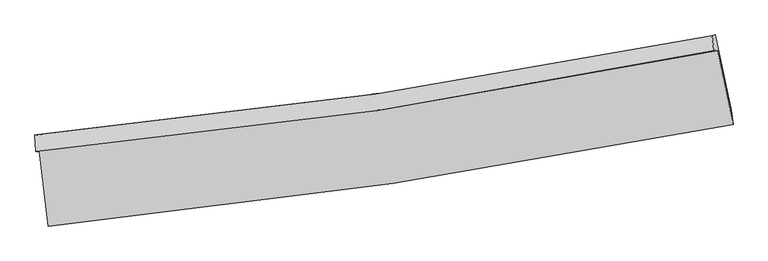
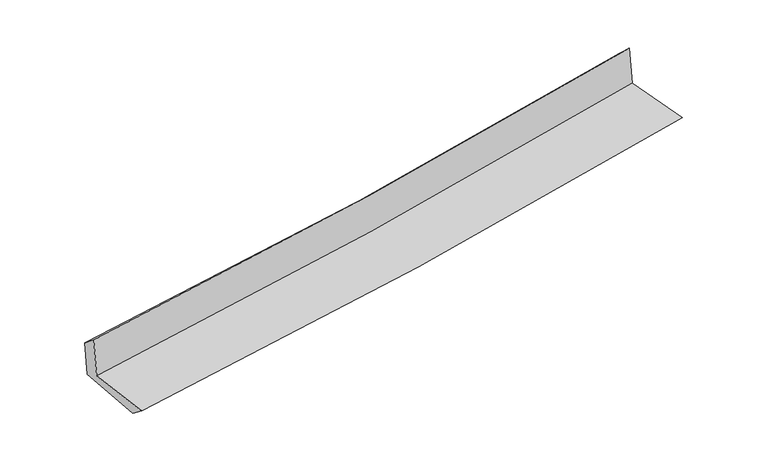
"""IFC4 building model written with IfcOpenShell, lengths in millimetres: proxy geometry."""

from ifc_helpers import new_model, si_unit, frame, origin, place, context, project, spatial, source, transform, mapped, element, save
from ifc_brep_helpers import plane_surface, spline_curve, spline_surface, advanced_brep


def generic_models_1890eba1(model_context):
    return source(origin(), model_context, "Body", "AdvancedBrep", [
        advanced_brep(
        [(-3024.6262806, -1916.8755493, 1620.4781912), (-2947.7374535, -2582.2415822, 1616.7678144), (3096.0700614, -1685.0990063, 2131.1154168), (2959.6812296, -1029.487594, 2155.1227075), (-3056.9519563, -1921.0402418, 2022.2002242), (2927.4030096, -1032.9679395, 2544.1459617), (-3064.0863038, -1777.956678, 1907.8857036), (2910.6755299, -896.8906428, 2412.5687505), (-3035.72349, -1772.9865991, 1553.5566322), (2939.8907919, -891.4929437, 2055.0296472), (-2955.5930321, -2435.3782968, 1505.9576898), (3079.4738262, -1554.635125, 2011.5550604)],
        [
            (0, 1),
            (1, 2, spline_curve(3, [(-2947.7374535, -2582.2415822, 1616.7678144), (-1929.887702646, -2481.971172125, 1707.827188692), (-915.690701573, -2356.750988762, 1796.349976354), (1098.864727, -2057.381910356, 1967.766485588), (2099.270230588, -1883.55456853, 2050.692898761), (3096.0700614, -1685.0990063, 2131.1154168)], [4, 2, 4], [0.0, 10.047237193427259, 20.029519925195352])),
            (2, 3),
            (3, 0, spline_curve(3, [(2959.6812296, -1029.487594, 2155.1227075), (1972.655634111, -1232.768088928, 2079.342565508), (982.079323497, -1408.208099146, 1997.064411185), (-1012.643487349, -1704.367577844, 1818.934412135), (-2016.83634675, -1824.723552365, 1722.997727901), (-3024.6262806, -1916.8755493, 1620.4781912)], [4, 2, 4], [0.0, 9.982282731768093, 20.029519925195352])),
            (4, 0),
            (3, 5),
            (5, 4, spline_curve(3, [(2927.4030096, -1032.9679395, 2544.1459617), (1940.244130759, -1236.128812693, 2471.510547463), (949.597033213, -1411.565477998, 2391.861234703), (-1045.14241221, -1707.951553832, 2217.970897773), (-2049.280303213, -1828.538989514, 2123.638297711), (-3056.9519563, -1921.0402418, 2022.2002242)], [4, 2, 4], [0.0, 9.934482243717564, 19.933607912525623])),
            (6, 4),
            (5, 7),
            (7, 6, spline_curve(3, [(2910.6755299, -896.8906428, 2412.5687505), (1925.397187953, -1097.219779921, 2333.91941571), (936.487659324, -1270.655910693, 2252.682633904), (-1055.052209096, -1564.695712118, 2084.488733755), (-2057.729958276, -1684.948259611, 1997.497833606), (-3064.0863038, -1777.956678, 1907.8857036)], [4, 2, 4], [0.0, 9.923660491757683, 19.911893991739134])),
            (8, 6),
            (7, 9),
            (9, 8, spline_curve(3, [(2939.8907919, -891.4929437, 2055.0296472), (1954.824226931, -1091.737981147, 1972.471753106), (965.950352648, -1265.167329815, 1889.540124689), (-1025.871365039, -1559.348661971, 1722.387332617), (-2028.868918474, -1679.750531574, 1638.161289502), (-3035.72349, -1772.9865991, 1553.5566322)], [4, 2, 4], [0.0, 9.914214648585206, 19.89294084153119])),
            (10, 8),
            (9, 11),
            (11, 10, spline_curve(3, [(3079.4738262, -1554.635125, 2011.5550604), (2084.920641055, -1755.088394668, 1928.332234737), (1086.365774758, -1928.560061685, 1844.725591547), (-925.270931098, -2222.493398869, 1676.198145844), (-1938.405017432, -2342.60278888, 1591.27233236), (-2955.5930321, -2435.3782968, 1505.9576898)], [4, 2, 4], [0.0, 9.962837276550495, 19.9905024836741])),
            (1, 10),
            (11, 2),
        ],
        [
            spline_surface(3, 3, [[(-3024.6262806, -1916.8755493, 1620.4781912), (-2016.836346855, -1824.723552443, 1722.997728024), (-1012.643487381, -1704.367577762, 1818.93441225), (982.079323529, -1408.208099227, 1997.064411071), (1972.655634101, -1232.768088792, 2079.342565624), (2959.6812296, -1029.487594, 2155.1227075)], [(-2998.996671571, -2138.664226944, 1619.241398941), (-1987.853465475, -2043.806092364, 1717.940881574), (-980.325892054, -1921.828714781, 1811.40626695), (1021.007791304, -1624.59936959, 1987.298435896), (2014.860499558, -1449.696915318, 2069.792676638), (3005.144173516, -1248.024731425, 2147.120277258)], [(-2973.367062529, -2360.452904556, 1618.004606659), (-1958.870584083, -2262.888632253, 1712.884035099), (-948.00829674, -2139.289851791, 1803.878121673), (1059.936259066, -1840.990639945, 1977.532460744), (2057.065365066, -1666.625741869, 2060.242787677), (3050.607117484, -1466.561868875, 2139.117847042)], [(-2947.7374535, -2582.2415822, 1616.7678144), (-1929.887702703, -2481.971172174, 1707.827188649), (-915.690701413, -2356.750988809, 1796.349976373), (1098.864726841, -2057.381910309, 1967.76648557), (2099.270230523, -1883.554568395, 2050.692898691), (3096.0700614, -1685.0990063, 2131.1154168)]], [4, 4], [4, 2, 4], [0.0, 2.1653681260857316], [0.0, 10.047237193427259, 20.029519925195352]),
            spline_surface(3, 3, [[(-3056.9519563, -1921.0402418, 2022.2002242), (-2049.280303355, -1828.538989402, 2123.638297821), (-1045.142412223, -1707.951553952, 2217.970897725), (949.597033226, -1411.565477878, 2391.861234751), (1940.244130709, -1236.128812569, 2471.510547313), (2927.4030096, -1032.9679395, 2544.1459617)], [(-3046.17673105, -1919.652010943, 1888.292879879), (-2038.465651171, -1827.267177059, 1990.091441235), (-1034.309437279, -1706.756895231, 2084.958735901), (960.424463323, -1410.44635167, 2260.262293526), (1951.047965192, -1235.008571298, 2340.787886739), (2938.162416285, -1031.807824322, 2414.471543623)], [(-3035.40150585, -1918.263780157, 1754.385535521), (-2027.650999039, -1825.995364786, 1856.54458461), (-1023.476462324, -1705.562236483, 1951.946574074), (971.251893432, -1409.327225435, 2128.663352296), (1961.851799618, -1233.888330062, 2210.065226198), (2948.921822915, -1030.647709178, 2284.797125577)], [(-3024.6262806, -1916.8755493, 1620.4781912), (-2016.836346855, -1824.723552443, 1722.997728024), (-1012.643487381, -1704.367577762, 1818.93441225), (982.079323529, -1408.208099227, 1997.064411071), (1972.655634101, -1232.768088792, 2079.342565624), (2959.6812296, -1029.487594, 2155.1227075)]], [4, 4], [4, 2, 4], [0.0, 1.306670126239901], [0.0, 9.999125668808059, 19.933607912525623]),
            spline_surface(3, 3, [[(-3064.0863038, -1777.956678, 1907.8857036), (-2057.72995812, -1684.948259634, 1997.497833499), (-1055.052208934, -1564.695712058, 2084.488733911), (936.487659163, -1270.655910752, 2252.682633749), (1925.39718783, -1097.219779949, 2333.919415643), (2910.6755299, -896.8906428, 2412.5687505)], [(-3061.708187969, -1825.65119927, 1945.990543804), (-2054.913406534, -1732.811836227, 2039.544654944), (-1051.748943355, -1612.447659346, 2128.982788508), (940.857450525, -1317.625766451, 2299.075500741), (1930.346168773, -1143.522790832, 2379.783126225), (2916.25135645, -942.24974171, 2456.427820925)], [(-3059.330072131, -1873.34572053, 1984.095383996), (-2052.096854941, -1780.675412809, 2081.591476376), (-1048.445677801, -1660.199606664, 2173.476843128), (945.227241863, -1364.595622179, 2345.468367758), (1935.295149766, -1189.825801686, 2425.646836731), (2921.82718305, -987.60884059, 2500.286891275)], [(-3056.9519563, -1921.0402418, 2022.2002242), (-2049.280303355, -1828.538989402, 2123.638297821), (-1045.142412223, -1707.951553952, 2217.970897725), (949.597033226, -1411.565477878, 2391.861234751), (1940.244130709, -1236.128812569, 2471.510547313), (2927.4030096, -1032.9679395, 2544.1459617)]], [4, 4], [4, 2, 4], [0.0, 0.6471058931647206], [0.0, 9.988233499981451, 19.911893991739134]),
            spline_surface(3, 3, [[(-3035.72349, -1772.9865991, 1553.5566322), (-2028.86891835, -1679.750531497, 1638.161289522), (-1025.87136518, -1559.348661823, 1722.387332611), (965.950352788, -1265.167329962, 1889.540124695), (1954.824226916, -1091.737981133, 1972.471753264), (2939.8907919, -891.4929437, 2055.0296472)], [(-3045.177761266, -1774.643292079, 1671.66632267), (-2038.48926494, -1681.483107555, 1757.940137518), (-1035.598313089, -1561.131011881, 1843.087799703), (956.129454922, -1266.996856872, 2010.587627705), (1945.01521391, -1093.565247389, 2092.954307386), (2930.152371256, -893.292176717, 2174.209348295)], [(-3054.632032534, -1776.299985021, 1789.77601313), (-2048.10961153, -1683.215683577, 1877.718985503), (-1045.325261025, -1562.913362, 1963.788266819), (946.308557029, -1268.826383843, 2131.635130739), (1935.206200836, -1095.392513693, 2213.436861521), (2920.413950544, -895.091409783, 2293.389049405)], [(-3064.0863038, -1777.956678, 1907.8857036), (-2057.72995812, -1684.948259634, 1997.497833499), (-1055.052208934, -1564.695712058, 2084.488733911), (936.487659163, -1270.655910752, 2252.682633749), (1925.39718783, -1097.219779949, 2333.919415643), (2910.6755299, -896.8906428, 2412.5687505)]], [4, 4], [4, 2, 4], [0.0, 1.1937084389670134], [0.0, 9.978726192945983, 19.89294084153119]),
            spline_surface(3, 3, [[(-2955.5930321, -2435.3782968, 1505.9576898), (-1938.405017297, -2342.602788748, 1591.272332298), (-925.270931001, -2222.493398723, 1676.198145882), (1086.365774662, -1928.56006183, 1844.72559151), (2084.920641113, -1755.088394579, 1928.3322348), (3079.4738262, -1554.635125, 2011.5550604)], [(-2982.303184732, -2214.581064229, 1521.824003932), (-1968.55965098, -2121.652036326, 1606.901984705), (-958.80440908, -2001.445153109, 1691.594541471), (1046.227300685, -1707.429151227, 1859.663769251), (2041.555169707, -1533.971590105, 1943.045407628), (3032.946148093, -1333.587731242, 2026.04658934)], [(-3009.013337368, -1993.783831671, 1537.690318068), (-1998.714284668, -1900.701283919, 1622.531637115), (-992.337887102, -1780.396907436, 1706.990937022), (1006.088826765, -1486.298240565, 1874.601946954), (1998.189698322, -1312.854785606, 1957.758580436), (2986.418470007, -1112.540337458, 2040.53811826)], [(-3035.72349, -1772.9865991, 1553.5566322), (-2028.86891835, -1679.750531497, 1638.161289522), (-1025.87136518, -1559.348661823, 1722.387332611), (965.950352788, -1265.167329962, 1889.540124695), (1954.824226916, -1091.737981133, 1972.471753264), (2939.8907919, -891.4929437, 2055.0296472)]], [4, 4], [4, 2, 4], [0.0, 2.211083991537841], [0.0, 10.027665207123604, 19.9905024836741]),
            spline_surface(3, 3, [[(-2947.7374535, -2582.2415822, 1616.7678144), (-1929.887702703, -2481.971172174, 1707.827188649), (-915.690701413, -2356.750988809, 1796.349976373), (1098.864726841, -2057.381910309, 1967.76648557), (2099.270230523, -1883.554568395, 2050.692898691), (3096.0700614, -1685.0990063, 2131.1154168)], [(-2950.355979713, -2533.287153735, 1579.831106173), (-1932.72680758, -2435.515044367, 1668.975569838), (-918.884111274, -2311.998458779, 1756.299366218), (1094.698409449, -2014.441294148, 1926.752854226), (2094.487034053, -1840.732510474, 2009.906010719), (3090.537983, -1641.611045884, 2091.261964659)], [(-2952.974505887, -2484.332725265, 1542.894398027), (-1935.56591242, -2389.058916555, 1630.123951109), (-922.07752114, -2267.245928753, 1716.248756036), (1090.532092054, -1971.500677991, 1885.739222854), (2089.703837584, -1797.9104525, 1969.119122772), (3085.0059046, -1598.123085416, 2051.408512541)], [(-2955.5930321, -2435.3782968, 1505.9576898), (-1938.405017297, -2342.602788748, 1591.272332298), (-925.270931001, -2222.493398723, 1676.198145882), (1086.365774662, -1928.56006183, 1844.72559151), (2084.920641113, -1755.088394579, 1928.3322348), (3079.4738262, -1554.635125, 2011.5550604)]], [4, 4], [4, 2, 4], [0.0, 0.5888390144037485], [0.0, 10.08538414738821, 20.10556721657872]),
            plane_surface(frame((2985.5324081, -1181.7622086, 2218.2562573), z_axis=(0.9762779424865149, 0.20006629620375882, 0.08279405858880931), x_axis=(-0.08143142545958762, -0.015044955919282652, 0.9965653878441728))),
            plane_surface(frame((-3014.1197527, -2067.7464912, 1704.4743759), z_axis=(-0.9901876849820982, -0.11397388162290584, -0.08085977255471986), x_axis=(-0.11479299676962261, 0.9933739889328543, 0.005539494947998392))),
        ],
        [
            (0, [[1, 2, 3, 4]]),
            (1, [[5, -4, 6, 7]]),
            (2, [[8, -7, 9, 10]]),
            (3, [[11, -10, 12, 13]]),
            (4, [[14, -13, 15, 16]]),
            (5, [[17, -16, 18, -2]]),
            (6, [[-12, -9, -6, -3, -18, -15]]),
            (7, [[-1, -5, -8, -11, -14, -17]]),
        ],
    ),
    ])


if __name__ == "__main__":
    model = new_model("IFC4")
    model_context = context("Model", 3, world=origin())
    ifc_project = project(units=[si_unit("LENGTHUNIT", "METRE", prefix="MILLI")], contexts=[model_context])
    site = spatial("IfcSite", under=ifc_project)
    building = spatial("IfcBuilding", under=site)
    placement = place(None, origin())
    generic_models_shape = generic_models_1890eba1(model_context)
    element("IfcBuildingElementProxy", 1, Name="Generic Models", at=placement, inside=building, context=model_context, shape_type="MappedRepresentation", body=[
        mapped(generic_models_shape, transform((0.0, 0.0, 0.0), x_axis=(1.0, 0.0, 0.0), y_axis=(0.0, 1.0, 0.0), z_axis=(0.0, 0.0, 1.0))),
    ])
    save(model, "model.ifc")
